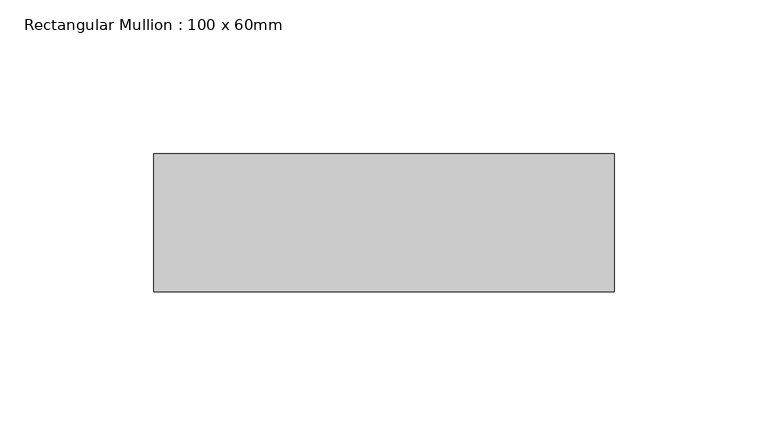
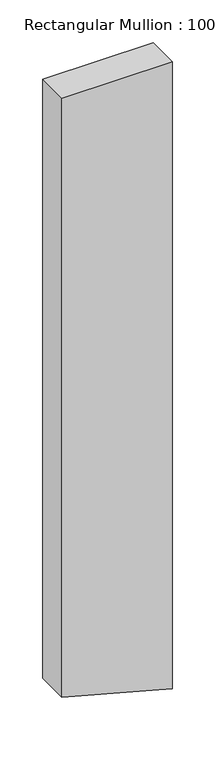
"""IFC4 building model written with IfcOpenShell, lengths in millimetres: member geometry, Rectangular Mullion : 100 x 60mm."""

from ifc_helpers import new_model, si_unit, frame, origin, place, context, project, spatial, polyline, outline, extrude, source, transform, mapped, element, save


def rectangular_mullion_100_x_60mm_88810f60(model_context):
    return source(origin(), model_context, "Body", "SweptSolid", [
        extrude(outline(polyline([(0.0, 75.0), (0.0, -75.0), (-859.8885639, -75.0), (-890.3873065, 38.8228568), (-900.0809428, 75.0), (0.0, 75.0)])), frame((0.0, -30.0, 0.0), z_axis=(0.0, 1.0, 0.0), x_axis=(0.0, 0.0, 1.0)), (0.0, 0.0, 1.0), 45.0),
    ])


if __name__ == "__main__":
    model = new_model("IFC4")
    model_context = context("Model", 3, world=origin())
    ifc_project = project(units=[si_unit("LENGTHUNIT", "METRE", prefix="MILLI")], contexts=[model_context])
    site = spatial("IfcSite", under=ifc_project)
    building = spatial("IfcBuilding", under=site)
    placement = place(None, origin())
    rectangular_mullion_100_x_60mm_shape = rectangular_mullion_100_x_60mm_88810f60(model_context)
    element("IfcMember", 1, ObjectType="Rectangular Mullion : 100 x 60mm", at=placement, inside=building, context=model_context, shape_type="MappedRepresentation", body=[
        mapped(rectangular_mullion_100_x_60mm_shape, transform((0.0, 0.0, 0.0), x_axis=(1.0, 0.0, 0.0), y_axis=(0.0, 1.0, 0.0), z_axis=(0.0, 0.0, 1.0))),
    ])
    save(model, "model.ifc")
